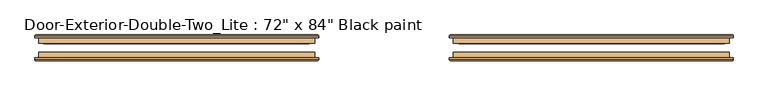
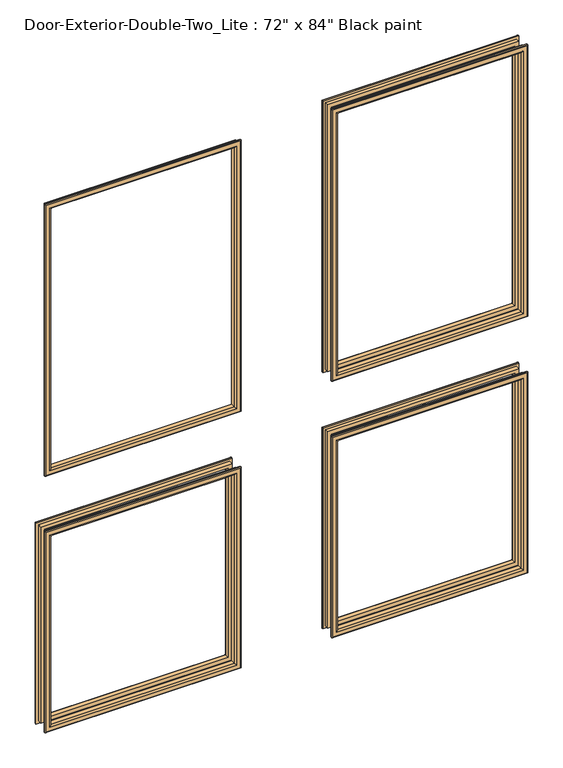
"""IFC4 building model written with IfcOpenShell, lengths in millimetres: door geometry."""

from ifc_helpers import new_model, si_unit, frame, origin, place, context, project, spatial, ellipse_curve, source, transform, mapped, element, save
from ifc_brep_helpers import plane_surface, cylinder_surface, advanced_brep


def door_a6b295f2(model_context):
    return source(origin(), model_context, "Body", "AdvancedBrep", [
        advanced_brep(
        [(-762.0, -65.0875, 914.4), (-762.0, -65.0875, 254.0), (-762.0, -77.7875, 254.0), (-762.0, -77.7875, 914.4), (-750.0, -78.7875, 902.4), (-750.0, -78.7875, 266.0), (-750.0, -65.0875, 266.0), (-750.0, -65.0875, 902.4), (-755.0, -83.7875, 907.4), (-755.0, -83.7875, 261.0), (-770.0, -81.7875, 922.4), (-770.0, -81.7875, 246.0), (-768.0, -83.7875, 248.0), (-768.0, -83.7875, 920.4), (-770.0, -77.7875, 922.4), (-770.0, -77.7875, 246.0), (-152.4, -65.0875, 254.0), (-152.4, -77.7875, 254.0), (-164.4, -78.7875, 266.0), (-164.4, -65.0875, 266.0), (-159.4, -83.7875, 261.0), (-144.4, -81.7875, 246.0), (-146.4, -83.7875, 248.0), (-144.4, -77.7875, 246.0), (-152.4, -65.0875, 914.4), (-152.4, -77.7875, 914.4), (-164.4, -78.7875, 902.4), (-164.4, -65.0875, 902.4), (-159.4, -83.7875, 907.4), (-144.4, -81.7875, 922.4), (-146.4, -83.7875, 920.4), (-144.4, -77.7875, 922.4)],
        [
            (0, 1),
            (1, 2),
            (2, 3),
            (3, 0),
            (4, 5),
            (5, 6),
            (6, 7),
            (7, 4),
            (8, 9),
            (9, 5, ellipse_curve(frame((-755.0, -78.7875, 261.0), z_axis=(-0.7071067811865475, 0.0, 0.7071067811865475), x_axis=(0.7071067811865474, 0.0, 0.7071067811865476)), 7.0710678, 5.0)),
            (4, 8, ellipse_curve(frame((-755.0, -78.7875, 907.4), z_axis=(-0.7071067811865475, 0.0, -0.7071067811865475), x_axis=(-0.7071067811865474, 0.0, 0.7071067811865476)), 7.0710678, 5.0)),
            (10, 11),
            (11, 12, ellipse_curve(frame((-768.0, -81.7875, 248.0), z_axis=(-0.7071067811865475, 0.0, 0.7071067811865475), x_axis=(0.7071067811865474, 0.0, 0.7071067811865476)), 2.8284271, 2.0)),
            (12, 13),
            (13, 10, ellipse_curve(frame((-768.0, -81.7875, 920.4), z_axis=(-0.7071067811865475, 0.0, -0.7071067811865475), x_axis=(-0.7071067811865474, 0.0, 0.7071067811865476)), 2.8284271, 2.0)),
            (14, 15),
            (15, 11),
            (10, 14),
            (1, 16),
            (16, 17),
            (17, 2),
            (5, 18),
            (18, 19),
            (19, 6),
            (9, 20),
            (20, 18, ellipse_curve(frame((-159.4, -78.7875, 261.0), z_axis=(-0.7071067811865475, 0.0, -0.7071067811865475), x_axis=(-0.7071067811865476, 0.0, 0.7071067811865474)), 7.0710678, 5.0)),
            (11, 21),
            (21, 22, ellipse_curve(frame((-146.4, -81.7875, 248.0), z_axis=(-0.7071067811865475, 0.0, -0.7071067811865475), x_axis=(-0.7071067811865476, 0.0, 0.7071067811865474)), 2.8284271, 2.0)),
            (22, 12),
            (15, 23),
            (23, 21),
            (16, 24),
            (24, 25),
            (25, 17),
            (18, 26),
            (26, 27),
            (27, 19),
            (20, 28),
            (28, 26, ellipse_curve(frame((-159.4, -78.7875, 907.4), z_axis=(0.7071067811865475, 0.0, -0.7071067811865475), x_axis=(-0.7071067811865474, 0.0, -0.7071067811865476)), 7.0710678, 5.0)),
            (21, 29),
            (29, 30, ellipse_curve(frame((-146.4, -81.7875, 920.4), z_axis=(0.7071067811865475, 0.0, -0.7071067811865475), x_axis=(-0.7071067811865474, 0.0, -0.7071067811865476)), 2.8284271, 2.0)),
            (30, 22),
            (23, 31),
            (31, 29),
            (14, 31),
            (25, 3),
            (24, 0),
            (27, 7),
            (26, 4),
            (28, 8),
            (30, 13),
            (29, 10),
        ],
        [
            plane_surface(frame((-762.0, -77.7875, 914.4), z_axis=(-1.0, 0.0, 0.0), x_axis=(0.0, 0.0, -1.0))),
            plane_surface(frame((-750.0, -65.0875, 902.4), z_axis=(1.0, 0.0, 0.0), x_axis=(0.0, 0.0, -1.0))),
            cylinder_surface(frame((-755.0, -78.7875, 914.4), z_axis=(0.0, 0.0, 1.0), x_axis=(-1.0, 0.0, 0.0)), 5.0),
            cylinder_surface(frame((-768.0, -81.7875, 914.4), z_axis=(0.0, 0.0, 1.0), x_axis=(-1.0, 0.0, 0.0)), 2.0),
            plane_surface(frame((-770.0, -81.7875, 922.4), z_axis=(-1.0, 0.0, 0.0), x_axis=(0.0, 0.0, -1.0))),
            plane_surface(frame((-762.0, -77.7875, 254.0), z_axis=(0.0, 0.0, -1.0), x_axis=(1.0, 0.0, 0.0))),
            plane_surface(frame((-750.0, -65.0875, 266.0), z_axis=(0.0, 0.0, 1.0), x_axis=(1.0, 0.0, 0.0))),
            cylinder_surface(frame((-762.0, -78.7875, 261.0), z_axis=(-1.0, 0.0, 0.0), x_axis=(0.0, 0.0, -1.0)), 5.0),
            cylinder_surface(frame((-762.0, -81.7875, 248.0), z_axis=(-1.0, 0.0, 0.0), x_axis=(0.0, 0.0, -1.0)), 2.0),
            plane_surface(frame((-770.0, -81.7875, 246.0), z_axis=(0.0, 0.0, -1.0), x_axis=(1.0, 0.0, 0.0))),
            plane_surface(frame((-152.4, -77.7875, 254.0), z_axis=(1.0, 0.0, 0.0), x_axis=(0.0, 0.0, 1.0))),
            plane_surface(frame((-164.4, -65.0875, 266.0), z_axis=(-1.0, 0.0, 0.0), x_axis=(0.0, 0.0, 1.0))),
            cylinder_surface(frame((-159.4, -78.7875, 254.0), z_axis=(0.0, 0.0, -1.0), x_axis=(1.0, 0.0, 0.0)), 5.0),
            cylinder_surface(frame((-146.4, -81.7875, 254.0), z_axis=(0.0, 0.0, -1.0), x_axis=(1.0, 0.0, 0.0)), 2.0),
            plane_surface(frame((-144.4, -81.7875, 246.0), z_axis=(1.0, 0.0, 0.0), x_axis=(0.0, 0.0, 1.0))),
            plane_surface(frame((-144.4, -77.7875, 922.4), z_axis=(0.0, 1.0, 0.0), x_axis=(-1.0, 0.0, 0.0))),
            plane_surface(frame((-152.4, -77.7875, 914.4), z_axis=(0.0, 0.0, 1.0), x_axis=(-1.0, 0.0, 0.0))),
            plane_surface(frame((-152.4, -65.0875, 914.4), z_axis=(0.0, 1.0, 0.0), x_axis=(-1.0, 0.0, 0.0))),
            plane_surface(frame((-164.4, -65.0875, 902.4), z_axis=(0.0, 0.0, -1.0), x_axis=(-1.0, 0.0, 0.0))),
            cylinder_surface(frame((-152.4, -78.7875, 907.4), z_axis=(1.0, 0.0, 0.0), x_axis=(0.0, 0.0, 1.0)), 5.0),
            plane_surface(frame((-159.4, -83.7875, 907.4), z_axis=(0.0, -1.0, 0.0), x_axis=(-1.0, 0.0, 0.0))),
            cylinder_surface(frame((-152.4, -81.7875, 920.4), z_axis=(1.0, 0.0, 0.0), x_axis=(0.0, 0.0, 1.0)), 2.0),
            plane_surface(frame((-144.4, -81.7875, 922.4), z_axis=(0.0, 0.0, 1.0), x_axis=(-1.0, 0.0, 0.0))),
        ],
        [
            (0, [[1, 2, 3, 4]]),
            (1, [[5, 6, 7, 8]]),
            (2, [[9, 10, -5, 11]]),
            (3, [[12, 13, 14, 15]]),
            (4, [[16, 17, -12, 18]]),
            (5, [[19, 20, 21, -2]]),
            (6, [[22, 23, 24, -6]]),
            (7, [[25, 26, -22, -10]]),
            (8, [[27, 28, 29, -13]]),
            (9, [[30, 31, -27, -17]]),
            (10, [[32, 33, 34, -20]]),
            (11, [[35, 36, 37, -23]]),
            (12, [[38, 39, -35, -26]]),
            (13, [[40, 41, 42, -28]]),
            (14, [[43, 44, -40, -31]]),
            (15, [[-16, 45, -43, -30], [-3, -21, -34, 46]]),
            (16, [[47, -4, -46, -33]]),
            (17, [[-1, -47, -32, -19], [-7, -24, -37, 48]]),
            (18, [[49, -8, -48, -36]]),
            (19, [[50, -11, -49, -39]]),
            (20, [[-14, -29, -42, 51], [-9, -50, -38, -25]]),
            (21, [[52, -15, -51, -41]]),
            (22, [[-45, -18, -52, -44]]),
        ],
    ),
        advanced_brep(
        [(152.4, -65.0875, 914.4), (152.4, -65.0875, 254.0), (152.4, -77.7875, 254.0), (152.4, -77.7875, 914.4), (164.4, -78.7875, 902.4), (164.4, -78.7875, 266.0), (164.4, -65.0875, 266.0), (164.4, -65.0875, 902.4), (159.4, -83.7875, 907.4), (159.4, -83.7875, 261.0), (144.4, -81.7875, 922.4), (144.4, -81.7875, 246.0), (146.4, -83.7875, 248.0), (146.4, -83.7875, 920.4), (144.4, -77.7875, 922.4), (144.4, -77.7875, 246.0), (762.0, -65.0875, 254.0), (762.0, -77.7875, 254.0), (750.0, -78.7875, 266.0), (750.0, -65.0875, 266.0), (755.0, -83.7875, 261.0), (770.0, -81.7875, 246.0), (768.0, -83.7875, 248.0), (770.0, -77.7875, 246.0), (762.0, -65.0875, 914.4), (762.0, -77.7875, 914.4), (750.0, -78.7875, 902.4), (750.0, -65.0875, 902.4), (755.0, -83.7875, 907.4), (770.0, -81.7875, 922.4), (768.0, -83.7875, 920.4), (770.0, -77.7875, 922.4)],
        [
            (0, 1),
            (1, 2),
            (2, 3),
            (3, 0),
            (4, 5),
            (5, 6),
            (6, 7),
            (7, 4),
            (8, 9),
            (9, 5, ellipse_curve(frame((159.4, -78.7875, 261.0), z_axis=(-0.7071067811865475, 0.0, 0.7071067811865475), x_axis=(0.7071067811865474, 0.0, 0.7071067811865476)), 7.0710678, 5.0)),
            (4, 8, ellipse_curve(frame((159.4, -78.7875, 907.4), z_axis=(-0.7071067811865475, 0.0, -0.7071067811865475), x_axis=(-0.7071067811865474, 0.0, 0.7071067811865476)), 7.0710678, 5.0)),
            (10, 11),
            (11, 12, ellipse_curve(frame((146.4, -81.7875, 248.0), z_axis=(-0.7071067811865475, 0.0, 0.7071067811865475), x_axis=(0.7071067811865474, 0.0, 0.7071067811865476)), 2.8284271, 2.0)),
            (12, 13),
            (13, 10, ellipse_curve(frame((146.4, -81.7875, 920.4), z_axis=(-0.7071067811865475, 0.0, -0.7071067811865475), x_axis=(-0.7071067811865474, 0.0, 0.7071067811865476)), 2.8284271, 2.0)),
            (14, 15),
            (15, 11),
            (10, 14),
            (1, 16),
            (16, 17),
            (17, 2),
            (5, 18),
            (18, 19),
            (19, 6),
            (9, 20),
            (20, 18, ellipse_curve(frame((755.0, -78.7875, 261.0), z_axis=(-0.7071067811865475, 0.0, -0.7071067811865475), x_axis=(-0.7071067811865476, 0.0, 0.7071067811865474)), 7.0710678, 5.0)),
            (11, 21),
            (21, 22, ellipse_curve(frame((768.0, -81.7875, 248.0), z_axis=(-0.7071067811865475, 0.0, -0.7071067811865475), x_axis=(-0.7071067811865476, 0.0, 0.7071067811865474)), 2.8284271, 2.0)),
            (22, 12),
            (15, 23),
            (23, 21),
            (16, 24),
            (24, 25),
            (25, 17),
            (18, 26),
            (26, 27),
            (27, 19),
            (20, 28),
            (28, 26, ellipse_curve(frame((755.0, -78.7875, 907.4), z_axis=(0.7071067811865475, 0.0, -0.7071067811865475), x_axis=(-0.7071067811865474, 0.0, -0.7071067811865476)), 7.0710678, 5.0)),
            (21, 29),
            (29, 30, ellipse_curve(frame((768.0, -81.7875, 920.4), z_axis=(0.7071067811865475, 0.0, -0.7071067811865475), x_axis=(-0.7071067811865474, 0.0, -0.7071067811865476)), 2.8284271, 2.0)),
            (30, 22),
            (23, 31),
            (31, 29),
            (14, 31),
            (25, 3),
            (24, 0),
            (27, 7),
            (26, 4),
            (28, 8),
            (30, 13),
            (29, 10),
        ],
        [
            plane_surface(frame((152.4, -77.7875, 914.4), z_axis=(-1.0, 0.0, 0.0), x_axis=(0.0, 0.0, -1.0))),
            plane_surface(frame((164.4, -65.0875, 902.4), z_axis=(1.0, 0.0, 0.0), x_axis=(0.0, 0.0, -1.0))),
            cylinder_surface(frame((159.4, -78.7875, 914.4), z_axis=(0.0, 0.0, 1.0), x_axis=(-1.0, 0.0, 0.0)), 5.0),
            cylinder_surface(frame((146.4, -81.7875, 914.4), z_axis=(0.0, 0.0, 1.0), x_axis=(-1.0, 0.0, 0.0)), 2.0),
            plane_surface(frame((144.4, -81.7875, 922.4), z_axis=(-1.0, 0.0, 0.0), x_axis=(0.0, 0.0, -1.0))),
            plane_surface(frame((152.4, -77.7875, 254.0), z_axis=(0.0, 0.0, -1.0), x_axis=(1.0, 0.0, 0.0))),
            plane_surface(frame((164.4, -65.0875, 266.0), z_axis=(0.0, 0.0, 1.0), x_axis=(1.0, 0.0, 0.0))),
            cylinder_surface(frame((152.4, -78.7875, 261.0), z_axis=(-1.0, 0.0, 0.0), x_axis=(0.0, 0.0, -1.0)), 5.0),
            cylinder_surface(frame((152.4, -81.7875, 248.0), z_axis=(-1.0, 0.0, 0.0), x_axis=(0.0, 0.0, -1.0)), 2.0),
            plane_surface(frame((144.4, -81.7875, 246.0), z_axis=(0.0, 0.0, -1.0), x_axis=(1.0, 0.0, 0.0))),
            plane_surface(frame((762.0, -77.7875, 254.0), z_axis=(1.0, 0.0, 0.0), x_axis=(0.0, 0.0, 1.0))),
            plane_surface(frame((750.0, -65.0875, 266.0), z_axis=(-1.0, 0.0, 0.0), x_axis=(0.0, 0.0, 1.0))),
            cylinder_surface(frame((755.0, -78.7875, 254.0), z_axis=(0.0, 0.0, -1.0), x_axis=(1.0, 0.0, 0.0)), 5.0),
            cylinder_surface(frame((768.0, -81.7875, 254.0), z_axis=(0.0, 0.0, -1.0), x_axis=(1.0, 0.0, 0.0)), 2.0),
            plane_surface(frame((770.0, -81.7875, 246.0), z_axis=(1.0, 0.0, 0.0), x_axis=(0.0, 0.0, 1.0))),
            plane_surface(frame((770.0, -77.7875, 922.4), z_axis=(0.0, 1.0, 0.0), x_axis=(-1.0, 0.0, 0.0))),
            plane_surface(frame((762.0, -77.7875, 914.4), z_axis=(0.0, 0.0, 1.0), x_axis=(-1.0, 0.0, 0.0))),
            plane_surface(frame((762.0, -65.0875, 914.4), z_axis=(0.0, 1.0, 0.0), x_axis=(-1.0, 0.0, 0.0))),
            plane_surface(frame((750.0, -65.0875, 902.4), z_axis=(0.0, 0.0, -1.0), x_axis=(-1.0, 0.0, 0.0))),
            cylinder_surface(frame((762.0, -78.7875, 907.4), z_axis=(1.0, 0.0, 0.0), x_axis=(0.0, 0.0, 1.0)), 5.0),
            plane_surface(frame((755.0, -83.7875, 907.4), z_axis=(0.0, -1.0, 0.0), x_axis=(-1.0, 0.0, 0.0))),
            cylinder_surface(frame((762.0, -81.7875, 920.4), z_axis=(1.0, 0.0, 0.0), x_axis=(0.0, 0.0, 1.0)), 2.0),
            plane_surface(frame((770.0, -81.7875, 922.4), z_axis=(0.0, 0.0, 1.0), x_axis=(-1.0, 0.0, 0.0))),
        ],
        [
            (0, [[1, 2, 3, 4]]),
            (1, [[5, 6, 7, 8]]),
            (2, [[9, 10, -5, 11]]),
            (3, [[12, 13, 14, 15]]),
            (4, [[16, 17, -12, 18]]),
            (5, [[19, 20, 21, -2]]),
            (6, [[22, 23, 24, -6]]),
            (7, [[25, 26, -22, -10]]),
            (8, [[27, 28, 29, -13]]),
            (9, [[30, 31, -27, -17]]),
            (10, [[32, 33, 34, -20]]),
            (11, [[35, 36, 37, -23]]),
            (12, [[38, 39, -35, -26]]),
            (13, [[40, 41, 42, -28]]),
            (14, [[43, 44, -40, -31]]),
            (15, [[-16, 45, -43, -30], [-3, -21, -34, 46]]),
            (16, [[47, -4, -46, -33]]),
            (17, [[-1, -47, -32, -19], [-7, -24, -37, 48]]),
            (18, [[49, -8, -48, -36]]),
            (19, [[50, -11, -49, -39]]),
            (20, [[-14, -29, -42, 51], [-9, -50, -38, -25]]),
            (21, [[52, -15, -51, -41]]),
            (22, [[-45, -18, -52, -44]]),
        ],
    ),
        advanced_brep(
        [(152.4, -65.0875, 2016.125), (152.4, -65.0875, 1117.6), (152.4, -77.7875, 1117.6), (152.4, -77.7875, 2016.125), (164.4, -78.7875, 2004.125), (164.4, -78.7875, 1129.6), (164.4, -65.0875, 1129.6), (164.4, -65.0875, 2004.125), (159.4, -83.7875, 2009.125), (159.4, -83.7875, 1124.6), (144.4, -81.7875, 2024.125), (144.4, -81.7875, 1109.6), (146.4, -83.7875, 1111.6), (146.4, -83.7875, 2022.125), (144.4, -77.7875, 2024.125), (144.4, -77.7875, 1109.6), (762.0, -65.0875, 1117.6), (762.0, -77.7875, 1117.6), (750.0, -78.7875, 1129.6), (750.0, -65.0875, 1129.6), (755.0, -83.7875, 1124.6), (770.0, -81.7875, 1109.6), (768.0, -83.7875, 1111.6), (770.0, -77.7875, 1109.6), (762.0, -65.0875, 2016.125), (762.0, -77.7875, 2016.125), (750.0, -78.7875, 2004.125), (750.0, -65.0875, 2004.125), (755.0, -83.7875, 2009.125), (770.0, -81.7875, 2024.125), (768.0, -83.7875, 2022.125), (770.0, -77.7875, 2024.125)],
        [
            (0, 1),
            (1, 2),
            (2, 3),
            (3, 0),
            (4, 5),
            (5, 6),
            (6, 7),
            (7, 4),
            (8, 9),
            (9, 5, ellipse_curve(frame((159.4, -78.7875, 1124.6), z_axis=(-0.7071067811865475, 0.0, 0.7071067811865475), x_axis=(0.7071067811865474, 0.0, 0.7071067811865476)), 7.0710678, 5.0)),
            (4, 8, ellipse_curve(frame((159.4, -78.7875, 2009.125), z_axis=(-0.7071067811865475, 0.0, -0.7071067811865475), x_axis=(-0.7071067811865474, 0.0, 0.7071067811865476)), 7.0710678, 5.0)),
            (10, 11),
            (11, 12, ellipse_curve(frame((146.4, -81.7875, 1111.6), z_axis=(-0.7071067811865475, 0.0, 0.7071067811865475), x_axis=(0.7071067811865474, 0.0, 0.7071067811865476)), 2.8284271, 2.0)),
            (12, 13),
            (13, 10, ellipse_curve(frame((146.4, -81.7875, 2022.125), z_axis=(-0.7071067811865475, 0.0, -0.7071067811865475), x_axis=(-0.7071067811865474, 0.0, 0.7071067811865476)), 2.8284271, 2.0)),
            (14, 15),
            (15, 11),
            (10, 14),
            (1, 16),
            (16, 17),
            (17, 2),
            (5, 18),
            (18, 19),
            (19, 6),
            (9, 20),
            (20, 18, ellipse_curve(frame((755.0, -78.7875, 1124.6), z_axis=(-0.7071067811865475, 0.0, -0.7071067811865475), x_axis=(-0.7071067811865476, 0.0, 0.7071067811865474)), 7.0710678, 5.0)),
            (11, 21),
            (21, 22, ellipse_curve(frame((768.0, -81.7875, 1111.6), z_axis=(-0.7071067811865475, 0.0, -0.7071067811865475), x_axis=(-0.7071067811865476, 0.0, 0.7071067811865474)), 2.8284271, 2.0)),
            (22, 12),
            (15, 23),
            (23, 21),
            (16, 24),
            (24, 25),
            (25, 17),
            (18, 26),
            (26, 27),
            (27, 19),
            (20, 28),
            (28, 26, ellipse_curve(frame((755.0, -78.7875, 2009.125), z_axis=(0.7071067811865475, 0.0, -0.7071067811865475), x_axis=(-0.7071067811865474, 0.0, -0.7071067811865476)), 7.0710678, 5.0)),
            (21, 29),
            (29, 30, ellipse_curve(frame((768.0, -81.7875, 2022.125), z_axis=(0.7071067811865475, 0.0, -0.7071067811865475), x_axis=(-0.7071067811865474, 0.0, -0.7071067811865476)), 2.8284271, 2.0)),
            (30, 22),
            (23, 31),
            (31, 29),
            (14, 31),
            (25, 3),
            (24, 0),
            (27, 7),
            (26, 4),
            (28, 8),
            (30, 13),
            (29, 10),
        ],
        [
            plane_surface(frame((152.4, -77.7875, 2016.125), z_axis=(-1.0, 0.0, 0.0), x_axis=(0.0, 0.0, -1.0))),
            plane_surface(frame((164.4, -65.0875, 2004.125), z_axis=(1.0, 0.0, 0.0), x_axis=(0.0, 0.0, -1.0))),
            cylinder_surface(frame((159.4, -78.7875, 2016.125), z_axis=(0.0, 0.0, 1.0), x_axis=(-1.0, 0.0, 0.0)), 5.0),
            cylinder_surface(frame((146.4, -81.7875, 2016.125), z_axis=(0.0, 0.0, 1.0), x_axis=(-1.0, 0.0, 0.0)), 2.0),
            plane_surface(frame((144.4, -81.7875, 2024.125), z_axis=(-1.0, 0.0, 0.0), x_axis=(0.0, 0.0, -1.0))),
            plane_surface(frame((152.4, -77.7875, 1117.6), z_axis=(0.0, 0.0, -1.0), x_axis=(1.0, 0.0, 0.0))),
            plane_surface(frame((164.4, -65.0875, 1129.6), z_axis=(0.0, 0.0, 1.0), x_axis=(1.0, 0.0, 0.0))),
            cylinder_surface(frame((152.4, -78.7875, 1124.6), z_axis=(-1.0, 0.0, 0.0), x_axis=(0.0, 0.0, -1.0)), 5.0),
            cylinder_surface(frame((152.4, -81.7875, 1111.6), z_axis=(-1.0, 0.0, 0.0), x_axis=(0.0, 0.0, -1.0)), 2.0),
            plane_surface(frame((144.4, -81.7875, 1109.6), z_axis=(0.0, 0.0, -1.0), x_axis=(1.0, 0.0, 0.0))),
            plane_surface(frame((762.0, -77.7875, 1117.6), z_axis=(1.0, 0.0, 0.0), x_axis=(0.0, 0.0, 1.0))),
            plane_surface(frame((750.0, -65.0875, 1129.6), z_axis=(-1.0, 0.0, 0.0), x_axis=(0.0, 0.0, 1.0))),
            cylinder_surface(frame((755.0, -78.7875, 1117.6), z_axis=(0.0, 0.0, -1.0), x_axis=(1.0, 0.0, 0.0)), 5.0),
            cylinder_surface(frame((768.0, -81.7875, 1117.6), z_axis=(0.0, 0.0, -1.0), x_axis=(1.0, 0.0, 0.0)), 2.0),
            plane_surface(frame((770.0, -81.7875, 1109.6), z_axis=(1.0, 0.0, 0.0), x_axis=(0.0, 0.0, 1.0))),
            plane_surface(frame((770.0, -77.7875, 2024.125), z_axis=(0.0, 1.0, 0.0), x_axis=(-1.0, 0.0, 0.0))),
            plane_surface(frame((762.0, -77.7875, 2016.125), z_axis=(0.0, 0.0, 1.0), x_axis=(-1.0, 0.0, 0.0))),
            plane_surface(frame((762.0, -65.0875, 2016.125), z_axis=(0.0, 1.0, 0.0), x_axis=(-1.0, 0.0, 0.0))),
            plane_surface(frame((750.0, -65.0875, 2004.125), z_axis=(0.0, 0.0, -1.0), x_axis=(-1.0, 0.0, 0.0))),
            cylinder_surface(frame((762.0, -78.7875, 2009.125), z_axis=(1.0, 0.0, 0.0), x_axis=(0.0, 0.0, 1.0)), 5.0),
            plane_surface(frame((755.0, -83.7875, 2009.125), z_axis=(0.0, -1.0, 0.0), x_axis=(-1.0, 0.0, 0.0))),
            cylinder_surface(frame((762.0, -81.7875, 2022.125), z_axis=(1.0, 0.0, 0.0), x_axis=(0.0, 0.0, 1.0)), 2.0),
            plane_surface(frame((770.0, -81.7875, 2024.125), z_axis=(0.0, 0.0, 1.0), x_axis=(-1.0, 0.0, 0.0))),
        ],
        [
            (0, [[1, 2, 3, 4]]),
            (1, [[5, 6, 7, 8]]),
            (2, [[9, 10, -5, 11]]),
            (3, [[12, 13, 14, 15]]),
            (4, [[16, 17, -12, 18]]),
            (5, [[19, 20, 21, -2]]),
            (6, [[22, 23, 24, -6]]),
            (7, [[25, 26, -22, -10]]),
            (8, [[27, 28, 29, -13]]),
            (9, [[30, 31, -27, -17]]),
            (10, [[32, 33, 34, -20]]),
            (11, [[35, 36, 37, -23]]),
            (12, [[38, 39, -35, -26]]),
            (13, [[40, 41, 42, -28]]),
            (14, [[43, 44, -40, -31]]),
            (15, [[-16, 45, -43, -30], [-3, -21, -34, 46]]),
            (16, [[47, -4, -46, -33]]),
            (17, [[-1, -47, -32, -19], [-7, -24, -37, 48]]),
            (18, [[49, -8, -48, -36]]),
            (19, [[50, -11, -49, -39]]),
            (20, [[-14, -29, -42, 51], [-9, -50, -38, -25]]),
            (21, [[52, -15, -51, -41]]),
            (22, [[-45, -18, -52, -44]]),
        ],
    ),
        advanced_brep(
        [(-762.0, -65.0875, 2016.125), (-762.0, -65.0875, 1117.6), (-762.0, -77.7875, 1117.6), (-762.0, -77.7875, 2016.125), (-750.0, -78.7875, 2004.125), (-750.0, -78.7875, 1129.6), (-750.0, -65.0875, 1129.6), (-750.0, -65.0875, 2004.125), (-755.0, -83.7875, 2009.125), (-755.0, -83.7875, 1124.6), (-770.0, -81.7875, 2024.125), (-770.0, -81.7875, 1109.6), (-768.0, -83.7875, 1111.6), (-768.0, -83.7875, 2022.125), (-770.0, -77.7875, 2024.125), (-770.0, -77.7875, 1109.6), (-152.4, -65.0875, 1117.6), (-152.4, -77.7875, 1117.6), (-164.4, -78.7875, 1129.6), (-164.4, -65.0875, 1129.6), (-159.4, -83.7875, 1124.6), (-144.4, -81.7875, 1109.6), (-146.4, -83.7875, 1111.6), (-144.4, -77.7875, 1109.6), (-152.4, -65.0875, 2016.125), (-152.4, -77.7875, 2016.125), (-164.4, -78.7875, 2004.125), (-164.4, -65.0875, 2004.125), (-159.4, -83.7875, 2009.125), (-144.4, -81.7875, 2024.125), (-146.4, -83.7875, 2022.125), (-144.4, -77.7875, 2024.125)],
        [
            (0, 1),
            (1, 2),
            (2, 3),
            (3, 0),
            (4, 5),
            (5, 6),
            (6, 7),
            (7, 4),
            (8, 9),
            (9, 5, ellipse_curve(frame((-755.0, -78.7875, 1124.6), z_axis=(-0.7071067811865475, 0.0, 0.7071067811865475), x_axis=(0.7071067811865474, 0.0, 0.7071067811865476)), 7.0710678, 5.0)),
            (4, 8, ellipse_curve(frame((-755.0, -78.7875, 2009.125), z_axis=(-0.7071067811865475, 0.0, -0.7071067811865475), x_axis=(-0.7071067811865474, 0.0, 0.7071067811865476)), 7.0710678, 5.0)),
            (10, 11),
            (11, 12, ellipse_curve(frame((-768.0, -81.7875, 1111.6), z_axis=(-0.7071067811865475, 0.0, 0.7071067811865475), x_axis=(0.7071067811865474, 0.0, 0.7071067811865476)), 2.8284271, 2.0)),
            (12, 13),
            (13, 10, ellipse_curve(frame((-768.0, -81.7875, 2022.125), z_axis=(-0.7071067811865475, 0.0, -0.7071067811865475), x_axis=(-0.7071067811865474, 0.0, 0.7071067811865476)), 2.8284271, 2.0)),
            (14, 15),
            (15, 11),
            (10, 14),
            (1, 16),
            (16, 17),
            (17, 2),
            (5, 18),
            (18, 19),
            (19, 6),
            (9, 20),
            (20, 18, ellipse_curve(frame((-159.4, -78.7875, 1124.6), z_axis=(-0.7071067811865475, 0.0, -0.7071067811865475), x_axis=(-0.7071067811865476, 0.0, 0.7071067811865474)), 7.0710678, 5.0)),
            (11, 21),
            (21, 22, ellipse_curve(frame((-146.4, -81.7875, 1111.6), z_axis=(-0.7071067811865475, 0.0, -0.7071067811865475), x_axis=(-0.7071067811865476, 0.0, 0.7071067811865474)), 2.8284271, 2.0)),
            (22, 12),
            (15, 23),
            (23, 21),
            (16, 24),
            (24, 25),
            (25, 17),
            (18, 26),
            (26, 27),
            (27, 19),
            (20, 28),
            (28, 26, ellipse_curve(frame((-159.4, -78.7875, 2009.125), z_axis=(0.7071067811865475, 0.0, -0.7071067811865475), x_axis=(-0.7071067811865474, 0.0, -0.7071067811865476)), 7.0710678, 5.0)),
            (21, 29),
            (29, 30, ellipse_curve(frame((-146.4, -81.7875, 2022.125), z_axis=(0.7071067811865475, 0.0, -0.7071067811865475), x_axis=(-0.7071067811865474, 0.0, -0.7071067811865476)), 2.8284271, 2.0)),
            (30, 22),
            (23, 31),
            (31, 29),
            (14, 31),
            (25, 3),
            (24, 0),
            (27, 7),
            (26, 4),
            (28, 8),
            (30, 13),
            (29, 10),
        ],
        [
            plane_surface(frame((-762.0, -77.7875, 2016.125), z_axis=(-1.0, 0.0, 0.0), x_axis=(0.0, 0.0, -1.0))),
            plane_surface(frame((-750.0, -65.0875, 2004.125), z_axis=(1.0, 0.0, 0.0), x_axis=(0.0, 0.0, -1.0))),
            cylinder_surface(frame((-755.0, -78.7875, 2016.125), z_axis=(0.0, 0.0, 1.0), x_axis=(-1.0, 0.0, 0.0)), 5.0),
            cylinder_surface(frame((-768.0, -81.7875, 2016.125), z_axis=(0.0, 0.0, 1.0), x_axis=(-1.0, 0.0, 0.0)), 2.0),
            plane_surface(frame((-770.0, -81.7875, 2024.125), z_axis=(-1.0, 0.0, 0.0), x_axis=(0.0, 0.0, -1.0))),
            plane_surface(frame((-762.0, -77.7875, 1117.6), z_axis=(0.0, 0.0, -1.0), x_axis=(1.0, 0.0, 0.0))),
            plane_surface(frame((-750.0, -65.0875, 1129.6), z_axis=(0.0, 0.0, 1.0), x_axis=(1.0, 0.0, 0.0))),
            cylinder_surface(frame((-762.0, -78.7875, 1124.6), z_axis=(-1.0, 0.0, 0.0), x_axis=(0.0, 0.0, -1.0)), 5.0),
            cylinder_surface(frame((-762.0, -81.7875, 1111.6), z_axis=(-1.0, 0.0, 0.0), x_axis=(0.0, 0.0, -1.0)), 2.0),
            plane_surface(frame((-770.0, -81.7875, 1109.6), z_axis=(0.0, 0.0, -1.0), x_axis=(1.0, 0.0, 0.0))),
            plane_surface(frame((-152.4, -77.7875, 1117.6), z_axis=(1.0, 0.0, 0.0), x_axis=(0.0, 0.0, 1.0))),
            plane_surface(frame((-164.4, -65.0875, 1129.6), z_axis=(-1.0, 0.0, 0.0), x_axis=(0.0, 0.0, 1.0))),
            cylinder_surface(frame((-159.4, -78.7875, 1117.6), z_axis=(0.0, 0.0, -1.0), x_axis=(1.0, 0.0, 0.0)), 5.0),
            cylinder_surface(frame((-146.4, -81.7875, 1117.6), z_axis=(0.0, 0.0, -1.0), x_axis=(1.0, 0.0, 0.0)), 2.0),
            plane_surface(frame((-144.4, -81.7875, 1109.6), z_axis=(1.0, 0.0, 0.0), x_axis=(0.0, 0.0, 1.0))),
            plane_surface(frame((-144.4, -77.7875, 2024.125), z_axis=(0.0, 1.0, 0.0), x_axis=(-1.0, 0.0, 0.0))),
            plane_surface(frame((-152.4, -77.7875, 2016.125), z_axis=(0.0, 0.0, 1.0), x_axis=(-1.0, 0.0, 0.0))),
            plane_surface(frame((-152.4, -65.0875, 2016.125), z_axis=(0.0, 1.0, 0.0), x_axis=(-1.0, 0.0, 0.0))),
            plane_surface(frame((-164.4, -65.0875, 2004.125), z_axis=(0.0, 0.0, -1.0), x_axis=(-1.0, 0.0, 0.0))),
            cylinder_surface(frame((-152.4, -78.7875, 2009.125), z_axis=(1.0, 0.0, 0.0), x_axis=(0.0, 0.0, 1.0)), 5.0),
            plane_surface(frame((-159.4, -83.7875, 2009.125), z_axis=(0.0, -1.0, 0.0), x_axis=(-1.0, 0.0, 0.0))),
            cylinder_surface(frame((-152.4, -81.7875, 2022.125), z_axis=(1.0, 0.0, 0.0), x_axis=(0.0, 0.0, 1.0)), 2.0),
            plane_surface(frame((-144.4, -81.7875, 2024.125), z_axis=(0.0, 0.0, 1.0), x_axis=(-1.0, 0.0, 0.0))),
        ],
        [
            (0, [[1, 2, 3, 4]]),
            (1, [[5, 6, 7, 8]]),
            (2, [[9, 10, -5, 11]]),
            (3, [[12, 13, 14, 15]]),
            (4, [[16, 17, -12, 18]]),
            (5, [[19, 20, 21, -2]]),
            (6, [[22, 23, 24, -6]]),
            (7, [[25, 26, -22, -10]]),
            (8, [[27, 28, 29, -13]]),
            (9, [[30, 31, -27, -17]]),
            (10, [[32, 33, 34, -20]]),
            (11, [[35, 36, 37, -23]]),
            (12, [[38, 39, -35, -26]]),
            (13, [[40, 41, 42, -28]]),
            (14, [[43, 44, -40, -31]]),
            (15, [[-16, 45, -43, -30], [-3, -21, -34, 46]]),
            (16, [[47, -4, -46, -33]]),
            (17, [[-1, -47, -32, -19], [-7, -24, -37, 48]]),
            (18, [[49, -8, -48, -36]]),
            (19, [[50, -11, -49, -39]]),
            (20, [[-14, -29, -42, 51], [-9, -50, -38, -25]]),
            (21, [[52, -15, -51, -41]]),
            (22, [[-45, -18, -52, -44]]),
        ],
    ),
        advanced_brep(
        [(-762.0, -46.0375, 254.0), (-762.0, -46.0375, 914.4), (-762.0, -33.3375, 914.4), (-762.0, -33.3375, 254.0), (-750.0, -32.3375, 266.0), (-750.0, -32.3375, 902.4), (-750.0, -46.0375, 902.4), (-750.0, -46.0375, 266.0), (-755.0, -27.3375, 261.0), (-755.0, -27.3375, 907.4), (-770.0, -29.3375, 246.0), (-770.0, -29.3375, 922.4), (-768.0, -27.3375, 920.4), (-768.0, -27.3375, 248.0), (-770.0, -33.3375, 246.0), (-770.0, -33.3375, 922.4), (-152.4, -46.0375, 914.4), (-152.4, -33.3375, 914.4), (-164.4, -32.3375, 902.4), (-164.4, -46.0375, 902.4), (-159.4, -27.3375, 907.4), (-144.4, -29.3375, 922.4), (-146.4, -27.3375, 920.4), (-144.4, -33.3375, 922.4), (-152.4, -46.0375, 254.0), (-152.4, -33.3375, 254.0), (-164.4, -32.3375, 266.0), (-164.4, -46.0375, 266.0), (-159.4, -27.3375, 261.0), (-144.4, -29.3375, 246.0), (-146.4, -27.3375, 248.0), (-144.4, -33.3375, 246.0)],
        [
            (0, 1),
            (1, 2),
            (2, 3),
            (3, 0),
            (4, 5),
            (5, 6),
            (6, 7),
            (7, 4),
            (8, 9),
            (9, 5, ellipse_curve(frame((-755.0, -32.3375, 907.4), z_axis=(-0.7071067811865475, 0.0, -0.7071067811865475), x_axis=(0.7071067811865474, 0.0, -0.7071067811865476)), 7.0710678, 5.0)),
            (4, 8, ellipse_curve(frame((-755.0, -32.3375, 261.0), z_axis=(-0.7071067811865475, 0.0, 0.7071067811865475), x_axis=(-0.7071067811865474, 0.0, -0.7071067811865476)), 7.0710678, 5.0)),
            (10, 11),
            (11, 12, ellipse_curve(frame((-768.0, -29.3375, 920.4), z_axis=(-0.7071067811865475, 0.0, -0.7071067811865475), x_axis=(0.7071067811865474, 0.0, -0.7071067811865476)), 2.8284271, 2.0)),
            (12, 13),
            (13, 10, ellipse_curve(frame((-768.0, -29.3375, 248.0), z_axis=(-0.7071067811865475, 0.0, 0.7071067811865475), x_axis=(-0.7071067811865474, 0.0, -0.7071067811865476)), 2.8284271, 2.0)),
            (14, 15),
            (15, 11),
            (10, 14),
            (1, 16),
            (16, 17),
            (17, 2),
            (5, 18),
            (18, 19),
            (19, 6),
            (9, 20),
            (20, 18, ellipse_curve(frame((-159.4, -32.3375, 907.4), z_axis=(-0.7071067811865475, 0.0, 0.7071067811865475), x_axis=(-0.7071067811865476, 0.0, -0.7071067811865474)), 7.0710678, 5.0)),
            (11, 21),
            (21, 22, ellipse_curve(frame((-146.4, -29.3375, 920.4), z_axis=(-0.7071067811865475, 0.0, 0.7071067811865475), x_axis=(-0.7071067811865476, 0.0, -0.7071067811865474)), 2.8284271, 2.0)),
            (22, 12),
            (15, 23),
            (23, 21),
            (16, 24),
            (24, 25),
            (25, 17),
            (18, 26),
            (26, 27),
            (27, 19),
            (20, 28),
            (28, 26, ellipse_curve(frame((-159.4, -32.3375, 261.0), z_axis=(0.7071067811865475, 0.0, 0.7071067811865475), x_axis=(-0.7071067811865474, 0.0, 0.7071067811865476)), 7.0710678, 5.0)),
            (21, 29),
            (29, 30, ellipse_curve(frame((-146.4, -29.3375, 248.0), z_axis=(0.7071067811865475, 0.0, 0.7071067811865475), x_axis=(-0.7071067811865474, 0.0, 0.7071067811865476)), 2.8284271, 2.0)),
            (30, 22),
            (23, 31),
            (31, 29),
            (14, 31),
            (25, 3),
            (24, 0),
            (27, 7),
            (26, 4),
            (28, 8),
            (30, 13),
            (29, 10),
        ],
        [
            plane_surface(frame((-762.0, -33.3375, 254.0), z_axis=(-1.0, 0.0, 0.0), x_axis=(0.0, 0.0, 1.0))),
            plane_surface(frame((-750.0, -46.0375, 266.0), z_axis=(1.0, 0.0, 0.0), x_axis=(0.0, 0.0, 1.0))),
            cylinder_surface(frame((-755.0, -32.3375, 254.0), z_axis=(0.0, 0.0, -1.0), x_axis=(-1.0, 0.0, 0.0)), 5.0),
            cylinder_surface(frame((-768.0, -29.3375, 254.0), z_axis=(0.0, 0.0, -1.0), x_axis=(-1.0, 0.0, 0.0)), 2.0),
            plane_surface(frame((-770.0, -29.3375, 246.0), z_axis=(-1.0, 0.0, 0.0), x_axis=(0.0, 0.0, 1.0))),
            plane_surface(frame((-762.0, -33.3375, 914.4), z_axis=(0.0, 0.0, 1.0), x_axis=(1.0, 0.0, 0.0))),
            plane_surface(frame((-750.0, -46.0375, 902.4), z_axis=(0.0, 0.0, -1.0), x_axis=(1.0, 0.0, 0.0))),
            cylinder_surface(frame((-762.0, -32.3375, 907.4), z_axis=(-1.0, 0.0, 0.0), x_axis=(0.0, 0.0, 1.0)), 5.0),
            cylinder_surface(frame((-762.0, -29.3375, 920.4), z_axis=(-1.0, 0.0, 0.0), x_axis=(0.0, 0.0, 1.0)), 2.0),
            plane_surface(frame((-770.0, -29.3375, 922.4), z_axis=(0.0, 0.0, 1.0), x_axis=(1.0, 0.0, 0.0))),
            plane_surface(frame((-152.4, -33.3375, 914.4), z_axis=(1.0, 0.0, 0.0), x_axis=(0.0, 0.0, -1.0))),
            plane_surface(frame((-164.4, -46.0375, 902.4), z_axis=(-1.0, 0.0, 0.0), x_axis=(0.0, 0.0, -1.0))),
            cylinder_surface(frame((-159.4, -32.3375, 914.4), z_axis=(0.0, 0.0, 1.0), x_axis=(1.0, 0.0, 0.0)), 5.0),
            cylinder_surface(frame((-146.4, -29.3375, 914.4), z_axis=(0.0, 0.0, 1.0), x_axis=(1.0, 0.0, 0.0)), 2.0),
            plane_surface(frame((-144.4, -29.3375, 922.4), z_axis=(1.0, 0.0, 0.0), x_axis=(0.0, 0.0, -1.0))),
            plane_surface(frame((-144.4, -33.3375, 246.0), z_axis=(0.0, -1.0, 0.0), x_axis=(-1.0, 0.0, 0.0))),
            plane_surface(frame((-152.4, -33.3375, 254.0), z_axis=(0.0, 0.0, -1.0), x_axis=(-1.0, 0.0, 0.0))),
            plane_surface(frame((-152.4, -46.0375, 254.0), z_axis=(0.0, -1.0, 0.0), x_axis=(-1.0, 0.0, 0.0))),
            plane_surface(frame((-164.4, -46.0375, 266.0), z_axis=(0.0, 0.0, 1.0), x_axis=(-1.0, 0.0, 0.0))),
            cylinder_surface(frame((-152.4, -32.3375, 261.0), z_axis=(1.0, 0.0, 0.0), x_axis=(0.0, 0.0, -1.0)), 5.0),
            plane_surface(frame((-159.4, -27.3375, 261.0), z_axis=(0.0, 1.0, 0.0), x_axis=(-1.0, 0.0, 0.0))),
            cylinder_surface(frame((-152.4, -29.3375, 248.0), z_axis=(1.0, 0.0, 0.0), x_axis=(0.0, 0.0, -1.0)), 2.0),
            plane_surface(frame((-144.4, -29.3375, 246.0), z_axis=(0.0, 0.0, -1.0), x_axis=(-1.0, 0.0, 0.0))),
        ],
        [
            (0, [[1, 2, 3, 4]]),
            (1, [[5, 6, 7, 8]]),
            (2, [[9, 10, -5, 11]]),
            (3, [[12, 13, 14, 15]]),
            (4, [[16, 17, -12, 18]]),
            (5, [[19, 20, 21, -2]]),
            (6, [[22, 23, 24, -6]]),
            (7, [[25, 26, -22, -10]]),
            (8, [[27, 28, 29, -13]]),
            (9, [[30, 31, -27, -17]]),
            (10, [[32, 33, 34, -20]]),
            (11, [[35, 36, 37, -23]]),
            (12, [[38, 39, -35, -26]]),
            (13, [[40, 41, 42, -28]]),
            (14, [[43, 44, -40, -31]]),
            (15, [[-16, 45, -43, -30], [-3, -21, -34, 46]]),
            (16, [[47, -4, -46, -33]]),
            (17, [[-1, -47, -32, -19], [-7, -24, -37, 48]]),
            (18, [[49, -8, -48, -36]]),
            (19, [[50, -11, -49, -39]]),
            (20, [[-14, -29, -42, 51], [-9, -50, -38, -25]]),
            (21, [[52, -15, -51, -41]]),
            (22, [[-45, -18, -52, -44]]),
        ],
    ),
        advanced_brep(
        [(152.4, -46.0375, 254.0), (152.4, -46.0375, 914.4), (152.4, -33.3375, 914.4), (152.4, -33.3375, 254.0), (164.4, -32.3375, 266.0), (164.4, -32.3375, 902.4), (164.4, -46.0375, 902.4), (164.4, -46.0375, 266.0), (159.4, -27.3375, 261.0), (159.4, -27.3375, 907.4), (144.4, -29.3375, 246.0), (144.4, -29.3375, 922.4), (146.4, -27.3375, 920.4), (146.4, -27.3375, 248.0), (144.4, -33.3375, 246.0), (144.4, -33.3375, 922.4), (762.0, -46.0375, 914.4), (762.0, -33.3375, 914.4), (750.0, -32.3375, 902.4), (750.0, -46.0375, 902.4), (755.0, -27.3375, 907.4), (770.0, -29.3375, 922.4), (768.0, -27.3375, 920.4), (770.0, -33.3375, 922.4), (762.0, -46.0375, 254.0), (762.0, -33.3375, 254.0), (750.0, -32.3375, 266.0), (750.0, -46.0375, 266.0), (755.0, -27.3375, 261.0), (770.0, -29.3375, 246.0), (768.0, -27.3375, 248.0), (770.0, -33.3375, 246.0)],
        [
            (0, 1),
            (1, 2),
            (2, 3),
            (3, 0),
            (4, 5),
            (5, 6),
            (6, 7),
            (7, 4),
            (8, 9),
            (9, 5, ellipse_curve(frame((159.4, -32.3375, 907.4), z_axis=(-0.7071067811865475, 0.0, -0.7071067811865475), x_axis=(0.7071067811865474, 0.0, -0.7071067811865476)), 7.0710678, 5.0)),
            (4, 8, ellipse_curve(frame((159.4, -32.3375, 261.0), z_axis=(-0.7071067811865475, 0.0, 0.7071067811865475), x_axis=(-0.7071067811865474, 0.0, -0.7071067811865476)), 7.0710678, 5.0)),
            (10, 11),
            (11, 12, ellipse_curve(frame((146.4, -29.3375, 920.4), z_axis=(-0.7071067811865475, 0.0, -0.7071067811865475), x_axis=(0.7071067811865474, 0.0, -0.7071067811865476)), 2.8284271, 2.0)),
            (12, 13),
            (13, 10, ellipse_curve(frame((146.4, -29.3375, 248.0), z_axis=(-0.7071067811865475, 0.0, 0.7071067811865475), x_axis=(-0.7071067811865474, 0.0, -0.7071067811865476)), 2.8284271, 2.0)),
            (14, 15),
            (15, 11),
            (10, 14),
            (1, 16),
            (16, 17),
            (17, 2),
            (5, 18),
            (18, 19),
            (19, 6),
            (9, 20),
            (20, 18, ellipse_curve(frame((755.0, -32.3375, 907.4), z_axis=(-0.7071067811865475, 0.0, 0.7071067811865475), x_axis=(-0.7071067811865476, 0.0, -0.7071067811865474)), 7.0710678, 5.0)),
            (11, 21),
            (21, 22, ellipse_curve(frame((768.0, -29.3375, 920.4), z_axis=(-0.7071067811865475, 0.0, 0.7071067811865475), x_axis=(-0.7071067811865476, 0.0, -0.7071067811865474)), 2.8284271, 2.0)),
            (22, 12),
            (15, 23),
            (23, 21),
            (16, 24),
            (24, 25),
            (25, 17),
            (18, 26),
            (26, 27),
            (27, 19),
            (20, 28),
            (28, 26, ellipse_curve(frame((755.0, -32.3375, 261.0), z_axis=(0.7071067811865475, 0.0, 0.7071067811865475), x_axis=(-0.7071067811865474, 0.0, 0.7071067811865476)), 7.0710678, 5.0)),
            (21, 29),
            (29, 30, ellipse_curve(frame((768.0, -29.3375, 248.0), z_axis=(0.7071067811865475, 0.0, 0.7071067811865475), x_axis=(-0.7071067811865474, 0.0, 0.7071067811865476)), 2.8284271, 2.0)),
            (30, 22),
            (23, 31),
            (31, 29),
            (14, 31),
            (25, 3),
            (24, 0),
            (27, 7),
            (26, 4),
            (28, 8),
            (30, 13),
            (29, 10),
        ],
        [
            plane_surface(frame((152.4, -33.3375, 254.0), z_axis=(-1.0, 0.0, 0.0), x_axis=(0.0, 0.0, 1.0))),
            plane_surface(frame((164.4, -46.0375, 266.0), z_axis=(1.0, 0.0, 0.0), x_axis=(0.0, 0.0, 1.0))),
            cylinder_surface(frame((159.4, -32.3375, 254.0), z_axis=(0.0, 0.0, -1.0), x_axis=(-1.0, 0.0, 0.0)), 5.0),
            cylinder_surface(frame((146.4, -29.3375, 254.0), z_axis=(0.0, 0.0, -1.0), x_axis=(-1.0, 0.0, 0.0)), 2.0),
            plane_surface(frame((144.4, -29.3375, 246.0), z_axis=(-1.0, 0.0, 0.0), x_axis=(0.0, 0.0, 1.0))),
            plane_surface(frame((152.4, -33.3375, 914.4), z_axis=(0.0, 0.0, 1.0), x_axis=(1.0, 0.0, 0.0))),
            plane_surface(frame((164.4, -46.0375, 902.4), z_axis=(0.0, 0.0, -1.0), x_axis=(1.0, 0.0, 0.0))),
            cylinder_surface(frame((152.4, -32.3375, 907.4), z_axis=(-1.0, 0.0, 0.0), x_axis=(0.0, 0.0, 1.0)), 5.0),
            cylinder_surface(frame((152.4, -29.3375, 920.4), z_axis=(-1.0, 0.0, 0.0), x_axis=(0.0, 0.0, 1.0)), 2.0),
            plane_surface(frame((144.4, -29.3375, 922.4), z_axis=(0.0, 0.0, 1.0), x_axis=(1.0, 0.0, 0.0))),
            plane_surface(frame((762.0, -33.3375, 914.4), z_axis=(1.0, 0.0, 0.0), x_axis=(0.0, 0.0, -1.0))),
            plane_surface(frame((750.0, -46.0375, 902.4), z_axis=(-1.0, 0.0, 0.0), x_axis=(0.0, 0.0, -1.0))),
            cylinder_surface(frame((755.0, -32.3375, 914.4), z_axis=(0.0, 0.0, 1.0), x_axis=(1.0, 0.0, 0.0)), 5.0),
            cylinder_surface(frame((768.0, -29.3375, 914.4), z_axis=(0.0, 0.0, 1.0), x_axis=(1.0, 0.0, 0.0)), 2.0),
            plane_surface(frame((770.0, -29.3375, 922.4), z_axis=(1.0, 0.0, 0.0), x_axis=(0.0, 0.0, -1.0))),
            plane_surface(frame((770.0, -33.3375, 246.0), z_axis=(0.0, -1.0, 0.0), x_axis=(-1.0, 0.0, 0.0))),
            plane_surface(frame((762.0, -33.3375, 254.0), z_axis=(0.0, 0.0, -1.0), x_axis=(-1.0, 0.0, 0.0))),
            plane_surface(frame((762.0, -46.0375, 254.0), z_axis=(0.0, -1.0, 0.0), x_axis=(-1.0, 0.0, 0.0))),
            plane_surface(frame((750.0, -46.0375, 266.0), z_axis=(0.0, 0.0, 1.0), x_axis=(-1.0, 0.0, 0.0))),
            cylinder_surface(frame((762.0, -32.3375, 261.0), z_axis=(1.0, 0.0, 0.0), x_axis=(0.0, 0.0, -1.0)), 5.0),
            plane_surface(frame((755.0, -27.3375, 261.0), z_axis=(0.0, 1.0, 0.0), x_axis=(-1.0, 0.0, 0.0))),
            cylinder_surface(frame((762.0, -29.3375, 248.0), z_axis=(1.0, 0.0, 0.0), x_axis=(0.0, 0.0, -1.0)), 2.0),
            plane_surface(frame((770.0, -29.3375, 246.0), z_axis=(0.0, 0.0, -1.0), x_axis=(-1.0, 0.0, 0.0))),
        ],
        [
            (0, [[1, 2, 3, 4]]),
            (1, [[5, 6, 7, 8]]),
            (2, [[9, 10, -5, 11]]),
            (3, [[12, 13, 14, 15]]),
            (4, [[16, 17, -12, 18]]),
            (5, [[19, 20, 21, -2]]),
            (6, [[22, 23, 24, -6]]),
            (7, [[25, 26, -22, -10]]),
            (8, [[27, 28, 29, -13]]),
            (9, [[30, 31, -27, -17]]),
            (10, [[32, 33, 34, -20]]),
            (11, [[35, 36, 37, -23]]),
            (12, [[38, 39, -35, -26]]),
            (13, [[40, 41, 42, -28]]),
            (14, [[43, 44, -40, -31]]),
            (15, [[-16, 45, -43, -30], [-3, -21, -34, 46]]),
            (16, [[47, -4, -46, -33]]),
            (17, [[-1, -47, -32, -19], [-7, -24, -37, 48]]),
            (18, [[49, -8, -48, -36]]),
            (19, [[50, -11, -49, -39]]),
            (20, [[-14, -29, -42, 51], [-9, -50, -38, -25]]),
            (21, [[52, -15, -51, -41]]),
            (22, [[-45, -18, -52, -44]]),
        ],
    ),
        advanced_brep(
        [(152.4, -46.0375, 1117.6), (152.4, -46.0375, 2016.125), (152.4, -33.3375, 2016.125), (152.4, -33.3375, 1117.6), (164.4, -32.3375, 1129.6), (164.4, -32.3375, 2004.125), (164.4, -46.0375, 2004.125), (164.4, -46.0375, 1129.6), (159.4, -27.3375, 1124.6), (159.4, -27.3375, 2009.125), (144.4, -29.3375, 1109.6), (144.4, -29.3375, 2024.125), (146.4, -27.3375, 2022.125), (146.4, -27.3375, 1111.6), (144.4, -33.3375, 1109.6), (144.4, -33.3375, 2024.125), (762.0, -46.0375, 2016.125), (762.0, -33.3375, 2016.125), (750.0, -32.3375, 2004.125), (750.0, -46.0375, 2004.125), (755.0, -27.3375, 2009.125), (770.0, -29.3375, 2024.125), (768.0, -27.3375, 2022.125), (770.0, -33.3375, 2024.125), (762.0, -46.0375, 1117.6), (762.0, -33.3375, 1117.6), (750.0, -32.3375, 1129.6), (750.0, -46.0375, 1129.6), (755.0, -27.3375, 1124.6), (770.0, -29.3375, 1109.6), (768.0, -27.3375, 1111.6), (770.0, -33.3375, 1109.6)],
        [
            (0, 1),
            (1, 2),
            (2, 3),
            (3, 0),
            (4, 5),
            (5, 6),
            (6, 7),
            (7, 4),
            (8, 9),
            (9, 5, ellipse_curve(frame((159.4, -32.3375, 2009.125), z_axis=(-0.7071067811865475, 0.0, -0.7071067811865475), x_axis=(0.7071067811865474, 0.0, -0.7071067811865476)), 7.0710678, 5.0)),
            (4, 8, ellipse_curve(frame((159.4, -32.3375, 1124.6), z_axis=(-0.7071067811865475, 0.0, 0.7071067811865475), x_axis=(-0.7071067811865474, 0.0, -0.7071067811865476)), 7.0710678, 5.0)),
            (10, 11),
            (11, 12, ellipse_curve(frame((146.4, -29.3375, 2022.125), z_axis=(-0.7071067811865475, 0.0, -0.7071067811865475), x_axis=(0.7071067811865474, 0.0, -0.7071067811865476)), 2.8284271, 2.0)),
            (12, 13),
            (13, 10, ellipse_curve(frame((146.4, -29.3375, 1111.6), z_axis=(-0.7071067811865475, 0.0, 0.7071067811865475), x_axis=(-0.7071067811865474, 0.0, -0.7071067811865476)), 2.8284271, 2.0)),
            (14, 15),
            (15, 11),
            (10, 14),
            (1, 16),
            (16, 17),
            (17, 2),
            (5, 18),
            (18, 19),
            (19, 6),
            (9, 20),
            (20, 18, ellipse_curve(frame((755.0, -32.3375, 2009.125), z_axis=(-0.7071067811865475, 0.0, 0.7071067811865475), x_axis=(-0.7071067811865476, 0.0, -0.7071067811865474)), 7.0710678, 5.0)),
            (11, 21),
            (21, 22, ellipse_curve(frame((768.0, -29.3375, 2022.125), z_axis=(-0.7071067811865475, 0.0, 0.7071067811865475), x_axis=(-0.7071067811865476, 0.0, -0.7071067811865474)), 2.8284271, 2.0)),
            (22, 12),
            (15, 23),
            (23, 21),
            (16, 24),
            (24, 25),
            (25, 17),
            (18, 26),
            (26, 27),
            (27, 19),
            (20, 28),
            (28, 26, ellipse_curve(frame((755.0, -32.3375, 1124.6), z_axis=(0.7071067811865475, 0.0, 0.7071067811865475), x_axis=(-0.7071067811865474, 0.0, 0.7071067811865476)), 7.0710678, 5.0)),
            (21, 29),
            (29, 30, ellipse_curve(frame((768.0, -29.3375, 1111.6), z_axis=(0.7071067811865475, 0.0, 0.7071067811865475), x_axis=(-0.7071067811865474, 0.0, 0.7071067811865476)), 2.8284271, 2.0)),
            (30, 22),
            (23, 31),
            (31, 29),
            (14, 31),
            (25, 3),
            (24, 0),
            (27, 7),
            (26, 4),
            (28, 8),
            (30, 13),
            (29, 10),
        ],
        [
            plane_surface(frame((152.4, -33.3375, 1117.6), z_axis=(-1.0, 0.0, 0.0), x_axis=(0.0, 0.0, 1.0))),
            plane_surface(frame((164.4, -46.0375, 1129.6), z_axis=(1.0, 0.0, 0.0), x_axis=(0.0, 0.0, 1.0))),
            cylinder_surface(frame((159.4, -32.3375, 1117.6), z_axis=(0.0, 0.0, -1.0), x_axis=(-1.0, 0.0, 0.0)), 5.0),
            cylinder_surface(frame((146.4, -29.3375, 1117.6), z_axis=(0.0, 0.0, -1.0), x_axis=(-1.0, 0.0, 0.0)), 2.0),
            plane_surface(frame((144.4, -29.3375, 1109.6), z_axis=(-1.0, 0.0, 0.0), x_axis=(0.0, 0.0, 1.0))),
            plane_surface(frame((152.4, -33.3375, 2016.125), z_axis=(0.0, 0.0, 1.0), x_axis=(1.0, 0.0, 0.0))),
            plane_surface(frame((164.4, -46.0375, 2004.125), z_axis=(0.0, 0.0, -1.0), x_axis=(1.0, 0.0, 0.0))),
            cylinder_surface(frame((152.4, -32.3375, 2009.125), z_axis=(-1.0, 0.0, 0.0), x_axis=(0.0, 0.0, 1.0)), 5.0),
            cylinder_surface(frame((152.4, -29.3375, 2022.125), z_axis=(-1.0, 0.0, 0.0), x_axis=(0.0, 0.0, 1.0)), 2.0),
            plane_surface(frame((144.4, -29.3375, 2024.125), z_axis=(0.0, 0.0, 1.0), x_axis=(1.0, 0.0, 0.0))),
            plane_surface(frame((762.0, -33.3375, 2016.125), z_axis=(1.0, 0.0, 0.0), x_axis=(0.0, 0.0, -1.0))),
            plane_surface(frame((750.0, -46.0375, 2004.125), z_axis=(-1.0, 0.0, 0.0), x_axis=(0.0, 0.0, -1.0))),
            cylinder_surface(frame((755.0, -32.3375, 2016.125), z_axis=(0.0, 0.0, 1.0), x_axis=(1.0, 0.0, 0.0)), 5.0),
            cylinder_surface(frame((768.0, -29.3375, 2016.125), z_axis=(0.0, 0.0, 1.0), x_axis=(1.0, 0.0, 0.0)), 2.0),
            plane_surface(frame((770.0, -29.3375, 2024.125), z_axis=(1.0, 0.0, 0.0), x_axis=(0.0, 0.0, -1.0))),
            plane_surface(frame((770.0, -33.3375, 1109.6), z_axis=(0.0, -1.0, 0.0), x_axis=(-1.0, 0.0, 0.0))),
            plane_surface(frame((762.0, -33.3375, 1117.6), z_axis=(0.0, 0.0, -1.0), x_axis=(-1.0, 0.0, 0.0))),
            plane_surface(frame((762.0, -46.0375, 1117.6), z_axis=(0.0, -1.0, 0.0), x_axis=(-1.0, 0.0, 0.0))),
            plane_surface(frame((750.0, -46.0375, 1129.6), z_axis=(0.0, 0.0, 1.0), x_axis=(-1.0, 0.0, 0.0))),
            cylinder_surface(frame((762.0, -32.3375, 1124.6), z_axis=(1.0, 0.0, 0.0), x_axis=(0.0, 0.0, -1.0)), 5.0),
            plane_surface(frame((755.0, -27.3375, 1124.6), z_axis=(0.0, 1.0, 0.0), x_axis=(-1.0, 0.0, 0.0))),
            cylinder_surface(frame((762.0, -29.3375, 1111.6), z_axis=(1.0, 0.0, 0.0), x_axis=(0.0, 0.0, -1.0)), 2.0),
            plane_surface(frame((770.0, -29.3375, 1109.6), z_axis=(0.0, 0.0, -1.0), x_axis=(-1.0, 0.0, 0.0))),
        ],
        [
            (0, [[1, 2, 3, 4]]),
            (1, [[5, 6, 7, 8]]),
            (2, [[9, 10, -5, 11]]),
            (3, [[12, 13, 14, 15]]),
            (4, [[16, 17, -12, 18]]),
            (5, [[19, 20, 21, -2]]),
            (6, [[22, 23, 24, -6]]),
            (7, [[25, 26, -22, -10]]),
            (8, [[27, 28, 29, -13]]),
            (9, [[30, 31, -27, -17]]),
            (10, [[32, 33, 34, -20]]),
            (11, [[35, 36, 37, -23]]),
            (12, [[38, 39, -35, -26]]),
            (13, [[40, 41, 42, -28]]),
            (14, [[43, 44, -40, -31]]),
            (15, [[-16, 45, -43, -30], [-3, -21, -34, 46]]),
            (16, [[47, -4, -46, -33]]),
            (17, [[-1, -47, -32, -19], [-7, -24, -37, 48]]),
            (18, [[49, -8, -48, -36]]),
            (19, [[50, -11, -49, -39]]),
            (20, [[-14, -29, -42, 51], [-9, -50, -38, -25]]),
            (21, [[52, -15, -51, -41]]),
            (22, [[-45, -18, -52, -44]]),
        ],
    ),
    ])


if __name__ == "__main__":
    model = new_model("IFC4")
    model_context = context("Model", 3, world=origin())
    ifc_project = project(units=[si_unit("LENGTHUNIT", "METRE", prefix="MILLI")], contexts=[model_context])
    site = spatial("IfcSite", under=ifc_project)
    building = spatial("IfcBuilding", under=site)
    placement = place(None, origin())
    door_shape = door_a6b295f2(model_context)
    element("IfcDoor", 1, ObjectType="Door-Exterior-Double-Two_Lite : 72\" x 84\" Black paint", at=placement, inside=building, context=model_context, shape_type="MappedRepresentation", body=[
        mapped(door_shape, transform((0.0, 0.0, 0.0), x_axis=(1.0, 0.0, 0.0), y_axis=(0.0, 1.0, 0.0), z_axis=(0.0, 0.0, 1.0))),
    ])
    save(model, "model.ifc")
